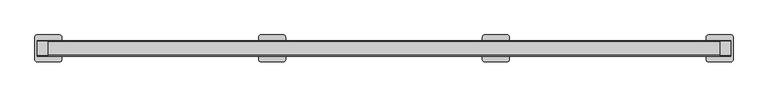
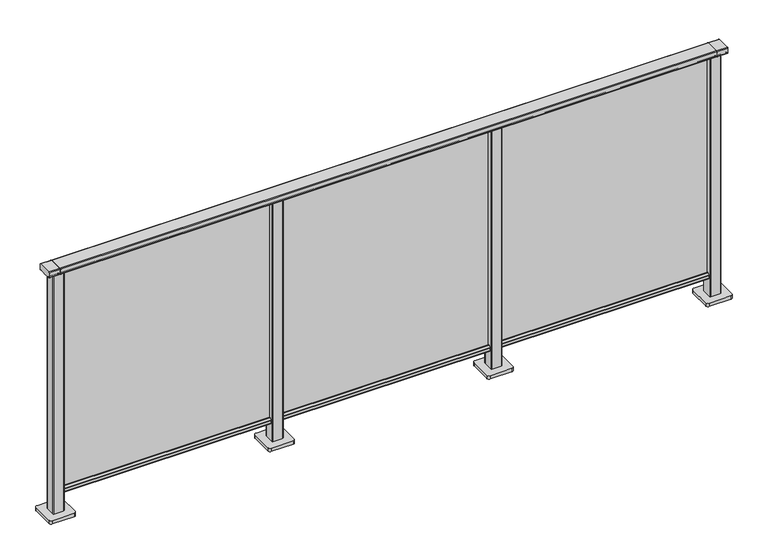
"""IFC4 building model written with IfcOpenShell, lengths in millimetres: railing geometry."""

from ifc_helpers import new_model, si_unit, point, frame, frame_2d, origin, origin_with_axes, place, context, project, spatial, polyline, circle_curve, trimmed, segment, composite_curve, outline, extrude, source, transform, mapped, element, save


def railing_4ceebaf9(model_context):
    return source(origin(), model_context, "Body", "SweptSolid", [
        extrude(outline(composite_curve([segment(trimmed(circle_curve(frame_2d((9717.8460333, 1197.0)), 3.0), [point((9717.8460333, 1200.0))], [point((9720.8460333, 1197.0))], False, "CARTESIAN"), True, "CONTINUOUS"), segment(polyline([(9720.8460333, 1197.0), (9720.8460333, 1174.8)]), True, "CONTINUOUS"), segment(trimmed(circle_curve(frame_2d((9717.8460333, 1174.8)), 3.0), [point((9720.8460333, 1174.8))], [point((9717.8460333, 1171.8))], False, "CARTESIAN"), True, "CONTINUOUS"), segment(polyline([(9717.8460333, 1171.8), (9712.9961193, 1171.8)]), True, "CONTINUOUS"), segment(trimmed(circle_curve(frame_2d((9712.9961193, 1172.7286632)), 0.9286632), [point((9712.9961193, 1171.8))], [point((9712.0960471, 1172.5000033))], False, "CARTESIAN"), True, "CONTINUOUS"), segment(trimmed(circle_curve(frame_2d((9711.5960471, 1172.5000003)), 0.5), [point((9712.0960471, 1172.5000033))], [point((9711.5960471, 1172.0000003))], False, "CARTESIAN"), True, "CONTINUOUS"), segment(polyline([(9711.5960471, 1172.0000003), (9694.5751393, 1172.0000003)]), True, "CONTINUOUS"), segment(trimmed(circle_curve(frame_2d((9685.8508208, 1188.8785723)), 18.999998), [point((9694.5751393, 1172.0000003))], [point((9677.1265024, 1172.0000003))], False, "CARTESIAN"), True, "CONTINUOUS"), segment(polyline([(9677.1265024, 1172.0000003), (9660.0960436, 1172.0000003)]), True, "CONTINUOUS"), segment(trimmed(circle_curve(frame_2d((9660.0960436, 1172.5000003)), 0.5), [point((9660.0960436, 1172.0000003))], [point((9659.5960436, 1172.5000033))], False, "CARTESIAN"), True, "CONTINUOUS"), segment(trimmed(circle_curve(frame_2d((9658.6961402, 1172.7284461)), 0.9284461), [point((9659.5960436, 1172.5000033))], [point((9658.6961402, 1171.8))], False, "CARTESIAN"), True, "CONTINUOUS"), segment(polyline([(9658.6961402, 1171.8), (9653.8460333, 1171.8)]), True, "CONTINUOUS"), segment(trimmed(circle_curve(frame_2d((9653.8460333, 1174.8)), 3.0), [point((9653.8460333, 1171.8))], [point((9650.8460333, 1174.8))], False, "CARTESIAN"), True, "CONTINUOUS"), segment(polyline([(9650.8460333, 1174.8), (9650.8460333, 1197.0)]), True, "CONTINUOUS"), segment(trimmed(circle_curve(frame_2d((9653.8460333, 1197.0)), 3.0), [point((9650.8460333, 1197.0))], [point((9653.8460333, 1200.0))], False, "CARTESIAN"), True, "CONTINUOUS"), segment(polyline([(9653.8460333, 1200.0), (9717.8460333, 1200.0)]), True, "CONTINUOUS")], self_intersect=False)), frame((-408.6053075, 0.0, 0.0), z_axis=(1.0, 0.0, 0.0), x_axis=(0.0, 1.0, 0.0)), (0.0, 0.0, 1.0), 3000.0),
        extrude(outline(composite_curve([segment(polyline([(9701.5508136, 100.0), (9670.1507946, 100.0)]), True, "CONTINUOUS"), segment(trimmed(circle_curve(frame_2d((9670.1507946, 101.8)), 1.8), [point((9670.1507946, 100.0))], [point((9668.3507946, 101.8))], False, "CARTESIAN"), True, "CONTINUOUS"), segment(polyline([(9668.3507946, 101.8), (9668.3507946, 115.5269955)]), True, "CONTINUOUS"), segment(trimmed(circle_curve(frame_2d((9670.1507946, 115.5269955)), 1.8), [point((9668.3507946, 115.5269955))], [point((9668.7923399, 116.7079277))], False, "CARTESIAN"), True, "CONTINUOUS"), segment(polyline([(9668.7923399, 116.7079277), (9675.4626384, 124.3809322)]), True, "CONTINUOUS"), segment(trimmed(circle_curve(frame_2d((9676.8210931, 123.2)), 1.8), [point((9675.4626384, 124.3809322))], [point((9676.8210931, 125.0))], False, "CARTESIAN"), True, "CONTINUOUS"), segment(polyline([(9676.8210931, 125.0), (9680.5111113, 125.0), (9681.809143, 113.0), (9689.8924411, 113.0), (9691.1904978, 125.0), (9694.88054, 125.0)]), True, "CONTINUOUS"), segment(trimmed(circle_curve(frame_2d((9694.88054, 123.2)), 1.8), [point((9694.88054, 125.0))], [point((9696.2389969, 124.3809297))], False, "CARTESIAN"), True, "CONTINUOUS"), segment(polyline([(9696.2389969, 124.3809297), (9702.9092704, 116.7079252)]), True, "CONTINUOUS"), segment(trimmed(circle_curve(frame_2d((9701.5508136, 115.5269955)), 1.8), [point((9702.9092704, 116.7079252))], [point((9703.3508136, 115.5269955))], False, "CARTESIAN"), True, "CONTINUOUS"), segment(polyline([(9703.3508136, 115.5269955), (9703.3508136, 101.8)]), True, "CONTINUOUS"), segment(trimmed(circle_curve(frame_2d((9701.5508136, 101.8)), 1.8), [point((9703.3508136, 101.8))], [point((9701.5508136, 100.0))], False, "CARTESIAN"), True, "CONTINUOUS")], self_intersect=False)), frame((-408.6053075, 0.0, 0.0), z_axis=(1.0, 0.0, 0.0), x_axis=(0.0, 1.0, 0.0)), (0.0, 0.0, 1.0), 3000.0),
        extrude(outline(polyline([(-408.6053075, 9683.8508041), (-408.6053075, 9687.8508041), (2591.3946925, 9687.8508041), (2591.3946925, 9683.8508041), (-408.6053075, 9683.8508041)])), frame((0.0, 0.0, 100.0), z_axis=(0.0, 0.0, 1.0), x_axis=(1.0, 0.0, 0.0)), (0.0, 0.0, 1.0), 1070.0),
        extrude(outline(composite_curve([segment(trimmed(circle_curve(frame_2d((1568.994681, 9708.2508266)), 3.0), [point((1565.994681, 9708.2508266))], [point((1568.994681, 9711.2508266))], False, "CARTESIAN"), True, "CONTINUOUS"), segment(polyline([(1568.994681, 9711.2508266), (1613.794704, 9711.2508266)]), True, "CONTINUOUS"), segment(trimmed(circle_curve(frame_2d((1613.794704, 9708.2508266)), 3.0), [point((1613.794704, 9711.2508266))], [point((1616.794704, 9708.2508266))], False, "CARTESIAN"), True, "CONTINUOUS"), segment(polyline([(1616.794704, 9708.2508266), (1616.794704, 9663.4508036)]), True, "CONTINUOUS"), segment(trimmed(circle_curve(frame_2d((1613.794704, 9663.4508036)), 3.0), [point((1616.794704, 9663.4508036))], [point((1613.794704, 9660.4508036))], False, "CARTESIAN"), True, "CONTINUOUS"), segment(polyline([(1613.794704, 9660.4508036), (1568.994681, 9660.4508036)]), True, "CONTINUOUS"), segment(trimmed(circle_curve(frame_2d((1568.994681, 9663.4508036)), 3.0), [point((1568.994681, 9660.4508036))], [point((1565.994681, 9663.4508036))], False, "CARTESIAN"), True, "CONTINUOUS"), segment(polyline([(1565.994681, 9663.4508036), (1565.994681, 9708.2508266)]), True, "CONTINUOUS")], self_intersect=False)), frame((0.0, 0.0, 16.0), z_axis=(0.0, 0.0, 1.0), x_axis=(1.0, 0.0, 0.0)), (0.0, 0.0, 1.0), 1153.8785743),
        extrude(outline(composite_curve([segment(trimmed(circle_curve(frame_2d((1541.394681, 9735.8508151)), 10.0), [point((1531.394681, 9735.8508151))], [point((1541.394681, 9745.8508151))], False, "CARTESIAN"), True, "CONTINUOUS"), segment(polyline([(1541.394681, 9745.8508151), (1641.394681, 9745.8508151)]), True, "CONTINUOUS"), segment(trimmed(circle_curve(frame_2d((1641.394681, 9735.8508151)), 10.0), [point((1641.394681, 9745.8508151))], [point((1651.394681, 9735.8508151))], False, "CARTESIAN"), True, "CONTINUOUS"), segment(polyline([(1651.394681, 9735.8508151), (1651.394681, 9635.8508151)]), True, "CONTINUOUS"), segment(trimmed(circle_curve(frame_2d((1641.394681, 9635.8508151)), 10.0), [point((1651.394681, 9635.8508151))], [point((1641.394681, 9625.8508151))], False, "CARTESIAN"), True, "CONTINUOUS"), segment(polyline([(1641.394681, 9625.8508151), (1541.394681, 9625.8508151)]), True, "CONTINUOUS"), segment(trimmed(circle_curve(frame_2d((1541.394681, 9635.8508151)), 10.0), [point((1541.394681, 9625.8508151))], [point((1531.394681, 9635.8508151))], False, "CARTESIAN"), True, "CONTINUOUS"), segment(polyline([(1531.394681, 9635.8508151), (1531.394681, 9735.8508151)]), True, "CONTINUOUS")], self_intersect=False)), origin_with_axes(), (0.0, 0.0, 1.0), 16.0),
        extrude(outline(composite_curve([segment(trimmed(circle_curve(frame_2d((568.994681, 9708.2508266)), 3.0), [point((565.994681, 9708.2508266))], [point((568.994681, 9711.2508266))], False, "CARTESIAN"), True, "CONTINUOUS"), segment(polyline([(568.994681, 9711.2508266), (613.794704, 9711.2508266)]), True, "CONTINUOUS"), segment(trimmed(circle_curve(frame_2d((613.794704, 9708.2508266)), 3.0), [point((613.794704, 9711.2508266))], [point((616.794704, 9708.2508266))], False, "CARTESIAN"), True, "CONTINUOUS"), segment(polyline([(616.794704, 9708.2508266), (616.794704, 9663.4508036)]), True, "CONTINUOUS"), segment(trimmed(circle_curve(frame_2d((613.794704, 9663.4508036)), 3.0), [point((616.794704, 9663.4508036))], [point((613.794704, 9660.4508036))], False, "CARTESIAN"), True, "CONTINUOUS"), segment(polyline([(613.794704, 9660.4508036), (568.994681, 9660.4508036)]), True, "CONTINUOUS"), segment(trimmed(circle_curve(frame_2d((568.994681, 9663.4508036)), 3.0), [point((568.994681, 9660.4508036))], [point((565.994681, 9663.4508036))], False, "CARTESIAN"), True, "CONTINUOUS"), segment(polyline([(565.994681, 9663.4508036), (565.994681, 9708.2508266)]), True, "CONTINUOUS")], self_intersect=False)), frame((0.0, 0.0, 16.0), z_axis=(0.0, 0.0, 1.0), x_axis=(1.0, 0.0, 0.0)), (0.0, 0.0, 1.0), 1153.8785743),
        extrude(outline(composite_curve([segment(trimmed(circle_curve(frame_2d((541.394681, 9735.8508151)), 10.0), [point((531.394681, 9735.8508151))], [point((541.394681, 9745.8508151))], False, "CARTESIAN"), True, "CONTINUOUS"), segment(polyline([(541.394681, 9745.8508151), (641.394681, 9745.8508151)]), True, "CONTINUOUS"), segment(trimmed(circle_curve(frame_2d((641.394681, 9735.8508151)), 10.0), [point((641.394681, 9745.8508151))], [point((651.394681, 9735.8508151))], False, "CARTESIAN"), True, "CONTINUOUS"), segment(polyline([(651.394681, 9735.8508151), (651.394681, 9635.8508151)]), True, "CONTINUOUS"), segment(trimmed(circle_curve(frame_2d((641.394681, 9635.8508151)), 10.0), [point((651.394681, 9635.8508151))], [point((641.394681, 9625.8508151))], False, "CARTESIAN"), True, "CONTINUOUS"), segment(polyline([(641.394681, 9625.8508151), (541.394681, 9625.8508151)]), True, "CONTINUOUS"), segment(trimmed(circle_curve(frame_2d((541.394681, 9635.8508151)), 10.0), [point((541.394681, 9625.8508151))], [point((531.394681, 9635.8508151))], False, "CARTESIAN"), True, "CONTINUOUS"), segment(polyline([(531.394681, 9635.8508151), (531.394681, 9735.8508151)]), True, "CONTINUOUS")], self_intersect=False)), origin_with_axes(), (0.0, 0.0, 1.0), 16.0),
        extrude(outline(composite_curve([segment(trimmed(circle_curve(frame_2d((2568.994681, 9708.2508266)), 3.0), [point((2565.994681, 9708.2508266))], [point((2568.994681, 9711.2508266))], False, "CARTESIAN"), True, "CONTINUOUS"), segment(polyline([(2568.994681, 9711.2508266), (2613.794704, 9711.2508266)]), True, "CONTINUOUS"), segment(trimmed(circle_curve(frame_2d((2613.794704, 9708.2508266)), 3.0), [point((2613.794704, 9711.2508266))], [point((2616.794704, 9708.2508266))], False, "CARTESIAN"), True, "CONTINUOUS"), segment(polyline([(2616.794704, 9708.2508266), (2616.794704, 9663.4508036)]), True, "CONTINUOUS"), segment(trimmed(circle_curve(frame_2d((2613.794704, 9663.4508036)), 3.0), [point((2616.794704, 9663.4508036))], [point((2613.794704, 9660.4508036))], False, "CARTESIAN"), True, "CONTINUOUS"), segment(polyline([(2613.794704, 9660.4508036), (2568.994681, 9660.4508036)]), True, "CONTINUOUS"), segment(trimmed(circle_curve(frame_2d((2568.994681, 9663.4508036)), 3.0), [point((2568.994681, 9660.4508036))], [point((2565.994681, 9663.4508036))], False, "CARTESIAN"), True, "CONTINUOUS"), segment(polyline([(2565.994681, 9663.4508036), (2565.994681, 9708.2508266)]), True, "CONTINUOUS")], self_intersect=False)), frame((0.0, 0.0, 16.0), z_axis=(0.0, 0.0, 1.0), x_axis=(1.0, 0.0, 0.0)), (0.0, 0.0, 1.0), 1153.8785743),
        extrude(outline(composite_curve([segment(trimmed(circle_curve(frame_2d((2541.394681, 9735.8508151)), 10.0), [point((2531.394681, 9735.8508151))], [point((2541.394681, 9745.8508151))], False, "CARTESIAN"), True, "CONTINUOUS"), segment(polyline([(2541.394681, 9745.8508151), (2641.394681, 9745.8508151)]), True, "CONTINUOUS"), segment(trimmed(circle_curve(frame_2d((2641.394681, 9735.8508151)), 10.0), [point((2641.394681, 9745.8508151))], [point((2651.394681, 9735.8508151))], False, "CARTESIAN"), True, "CONTINUOUS"), segment(polyline([(2651.394681, 9735.8508151), (2651.394681, 9635.8508151)]), True, "CONTINUOUS"), segment(trimmed(circle_curve(frame_2d((2641.394681, 9635.8508151)), 10.0), [point((2651.394681, 9635.8508151))], [point((2641.394681, 9625.8508151))], False, "CARTESIAN"), True, "CONTINUOUS"), segment(polyline([(2641.394681, 9625.8508151), (2541.394681, 9625.8508151)]), True, "CONTINUOUS"), segment(trimmed(circle_curve(frame_2d((2541.394681, 9635.8508151)), 10.0), [point((2541.394681, 9625.8508151))], [point((2531.394681, 9635.8508151))], False, "CARTESIAN"), True, "CONTINUOUS"), segment(polyline([(2531.394681, 9635.8508151), (2531.394681, 9735.8508151)]), True, "CONTINUOUS")], self_intersect=False)), origin_with_axes(), (0.0, 0.0, 1.0), 16.0),
        extrude(outline(composite_curve([segment(trimmed(circle_curve(frame_2d((9717.8460333, 1197.0)), 3.0), [point((9717.8460333, 1200.0))], [point((9720.8460333, 1197.0))], False, "CARTESIAN"), True, "CONTINUOUS"), segment(polyline([(9720.8460333, 1197.0), (9720.8460333, 1174.8)]), True, "CONTINUOUS"), segment(trimmed(circle_curve(frame_2d((9717.8460333, 1174.8)), 3.0), [point((9720.8460333, 1174.8))], [point((9717.8460333, 1171.8))], False, "CARTESIAN"), True, "CONTINUOUS"), segment(polyline([(9717.8460333, 1171.8), (9712.9961193, 1171.8)]), True, "CONTINUOUS"), segment(trimmed(circle_curve(frame_2d((9712.9961193, 1172.7286632)), 0.9286632), [point((9712.9961193, 1171.8))], [point((9712.0960471, 1172.5000033))], False, "CARTESIAN"), True, "CONTINUOUS"), segment(trimmed(circle_curve(frame_2d((9711.5960471, 1172.5000003)), 0.5), [point((9712.0960471, 1172.5000033))], [point((9711.5960471, 1172.0000003))], False, "CARTESIAN"), True, "CONTINUOUS"), segment(polyline([(9711.5960471, 1172.0000003), (9694.5751393, 1172.0000003)]), True, "CONTINUOUS"), segment(trimmed(circle_curve(frame_2d((9685.8508208, 1188.8785723)), 18.999998), [point((9694.5751393, 1172.0000003))], [point((9677.1265024, 1172.0000003))], False, "CARTESIAN"), True, "CONTINUOUS"), segment(polyline([(9677.1265024, 1172.0000003), (9660.0960436, 1172.0000003)]), True, "CONTINUOUS"), segment(trimmed(circle_curve(frame_2d((9660.0960436, 1172.5000003)), 0.5), [point((9660.0960436, 1172.0000003))], [point((9659.5960436, 1172.5000033))], False, "CARTESIAN"), True, "CONTINUOUS"), segment(trimmed(circle_curve(frame_2d((9658.6961402, 1172.7284461)), 0.9284461), [point((9659.5960436, 1172.5000033))], [point((9658.6961402, 1171.8))], False, "CARTESIAN"), True, "CONTINUOUS"), segment(polyline([(9658.6961402, 1171.8), (9653.8460333, 1171.8)]), True, "CONTINUOUS"), segment(trimmed(circle_curve(frame_2d((9653.8460333, 1174.8)), 3.0), [point((9653.8460333, 1171.8))], [point((9650.8460333, 1174.8))], False, "CARTESIAN"), True, "CONTINUOUS"), segment(polyline([(9650.8460333, 1174.8), (9650.8460333, 1197.0)]), True, "CONTINUOUS"), segment(trimmed(circle_curve(frame_2d((9653.8460333, 1197.0)), 3.0), [point((9650.8460333, 1197.0))], [point((9653.8460333, 1200.0))], False, "CARTESIAN"), True, "CONTINUOUS"), segment(polyline([(9653.8460333, 1200.0), (9717.8460333, 1200.0)]), True, "CONTINUOUS")], self_intersect=False)), frame((2591.3946925, 0.0, 0.0), z_axis=(1.0, 0.0, 0.0), x_axis=(0.0, 1.0, 0.0)), (0.0, 0.0, 1.0), 50.0),
        extrude(outline(composite_curve([segment(trimmed(circle_curve(frame_2d((-431.005319, 9708.2508266)), 3.0), [point((-434.005319, 9708.2508266))], [point((-431.005319, 9711.2508266))], False, "CARTESIAN"), True, "CONTINUOUS"), segment(polyline([(-431.005319, 9711.2508266), (-386.205296, 9711.2508266)]), True, "CONTINUOUS"), segment(trimmed(circle_curve(frame_2d((-386.205296, 9708.2508266)), 3.0), [point((-386.205296, 9711.2508266))], [point((-383.205296, 9708.2508266))], False, "CARTESIAN"), True, "CONTINUOUS"), segment(polyline([(-383.205296, 9708.2508266), (-383.205296, 9663.4508036)]), True, "CONTINUOUS"), segment(trimmed(circle_curve(frame_2d((-386.205296, 9663.4508036)), 3.0), [point((-383.205296, 9663.4508036))], [point((-386.205296, 9660.4508036))], False, "CARTESIAN"), True, "CONTINUOUS"), segment(polyline([(-386.205296, 9660.4508036), (-431.005319, 9660.4508036)]), True, "CONTINUOUS"), segment(trimmed(circle_curve(frame_2d((-431.005319, 9663.4508036)), 3.0), [point((-431.005319, 9660.4508036))], [point((-434.005319, 9663.4508036))], False, "CARTESIAN"), True, "CONTINUOUS"), segment(polyline([(-434.005319, 9663.4508036), (-434.005319, 9708.2508266)]), True, "CONTINUOUS")], self_intersect=False)), frame((0.0, 0.0, 16.0), z_axis=(0.0, 0.0, 1.0), x_axis=(1.0, 0.0, 0.0)), (0.0, 0.0, 1.0), 1153.8785743),
        extrude(outline(composite_curve([segment(trimmed(circle_curve(frame_2d((-458.605319, 9735.8508151)), 10.0), [point((-468.605319, 9735.8508151))], [point((-458.605319, 9745.8508151))], False, "CARTESIAN"), True, "CONTINUOUS"), segment(polyline([(-458.605319, 9745.8508151), (-358.605319, 9745.8508151)]), True, "CONTINUOUS"), segment(trimmed(circle_curve(frame_2d((-358.605319, 9735.8508151)), 10.0), [point((-358.605319, 9745.8508151))], [point((-348.605319, 9735.8508151))], False, "CARTESIAN"), True, "CONTINUOUS"), segment(polyline([(-348.605319, 9735.8508151), (-348.605319, 9635.8508151)]), True, "CONTINUOUS"), segment(trimmed(circle_curve(frame_2d((-358.605319, 9635.8508151)), 10.0), [point((-348.605319, 9635.8508151))], [point((-358.605319, 9625.8508151))], False, "CARTESIAN"), True, "CONTINUOUS"), segment(polyline([(-358.605319, 9625.8508151), (-458.605319, 9625.8508151)]), True, "CONTINUOUS"), segment(trimmed(circle_curve(frame_2d((-458.605319, 9635.8508151)), 10.0), [point((-458.605319, 9625.8508151))], [point((-468.605319, 9635.8508151))], False, "CARTESIAN"), True, "CONTINUOUS"), segment(polyline([(-468.605319, 9635.8508151), (-468.605319, 9735.8508151)]), True, "CONTINUOUS")], self_intersect=False)), origin_with_axes(), (0.0, 0.0, 1.0), 16.0),
        extrude(outline(composite_curve([segment(trimmed(circle_curve(frame_2d((9717.8460333, 1197.0)), 3.0), [point((9717.8460333, 1200.0))], [point((9720.8460333, 1197.0))], False, "CARTESIAN"), True, "CONTINUOUS"), segment(polyline([(9720.8460333, 1197.0), (9720.8460333, 1174.8)]), True, "CONTINUOUS"), segment(trimmed(circle_curve(frame_2d((9717.8460333, 1174.8)), 3.0), [point((9720.8460333, 1174.8))], [point((9717.8460333, 1171.8))], False, "CARTESIAN"), True, "CONTINUOUS"), segment(polyline([(9717.8460333, 1171.8), (9712.9961193, 1171.8)]), True, "CONTINUOUS"), segment(trimmed(circle_curve(frame_2d((9712.9961193, 1172.7286632)), 0.9286632), [point((9712.9961193, 1171.8))], [point((9712.0960471, 1172.5000033))], False, "CARTESIAN"), True, "CONTINUOUS"), segment(trimmed(circle_curve(frame_2d((9711.5960471, 1172.5000003)), 0.5), [point((9712.0960471, 1172.5000033))], [point((9711.5960471, 1172.0000003))], False, "CARTESIAN"), True, "CONTINUOUS"), segment(polyline([(9711.5960471, 1172.0000003), (9694.5751393, 1172.0000003)]), True, "CONTINUOUS"), segment(trimmed(circle_curve(frame_2d((9685.8508208, 1188.8785723)), 18.999998), [point((9694.5751393, 1172.0000003))], [point((9677.1265024, 1172.0000003))], False, "CARTESIAN"), True, "CONTINUOUS"), segment(polyline([(9677.1265024, 1172.0000003), (9660.0960436, 1172.0000003)]), True, "CONTINUOUS"), segment(trimmed(circle_curve(frame_2d((9660.0960436, 1172.5000003)), 0.5), [point((9660.0960436, 1172.0000003))], [point((9659.5960436, 1172.5000033))], False, "CARTESIAN"), True, "CONTINUOUS"), segment(trimmed(circle_curve(frame_2d((9658.6961402, 1172.7284461)), 0.9284461), [point((9659.5960436, 1172.5000033))], [point((9658.6961402, 1171.8))], False, "CARTESIAN"), True, "CONTINUOUS"), segment(polyline([(9658.6961402, 1171.8), (9653.8460333, 1171.8)]), True, "CONTINUOUS"), segment(trimmed(circle_curve(frame_2d((9653.8460333, 1174.8)), 3.0), [point((9653.8460333, 1171.8))], [point((9650.8460333, 1174.8))], False, "CARTESIAN"), True, "CONTINUOUS"), segment(polyline([(9650.8460333, 1174.8), (9650.8460333, 1197.0)]), True, "CONTINUOUS"), segment(trimmed(circle_curve(frame_2d((9653.8460333, 1197.0)), 3.0), [point((9650.8460333, 1197.0))], [point((9653.8460333, 1200.0))], False, "CARTESIAN"), True, "CONTINUOUS"), segment(polyline([(9653.8460333, 1200.0), (9717.8460333, 1200.0)]), True, "CONTINUOUS")], self_intersect=False)), frame((-458.6053075, 0.0, 0.0), z_axis=(1.0, 0.0, 0.0), x_axis=(0.0, 1.0, 0.0)), (0.0, 0.0, 1.0), 50.0),
    ])


if __name__ == "__main__":
    model = new_model("IFC4")
    model_context = context("Model", 3, world=origin())
    ifc_project = project(units=[si_unit("LENGTHUNIT", "METRE", prefix="MILLI")], contexts=[model_context])
    site = spatial("IfcSite", under=ifc_project)
    building = spatial("IfcBuilding", under=site)
    placement = place(None, origin())
    railing_shape = railing_4ceebaf9(model_context)
    element("IfcRailing", 1, at=placement, inside=building, context=model_context, shape_type="MappedRepresentation", body=[
        mapped(railing_shape, transform((0.0, 0.0, 0.0), x_axis=(1.0, 0.0, 0.0), y_axis=(0.0, 1.0, 0.0), z_axis=(0.0, 0.0, 1.0))),
    ])
    save(model, "model.ifc")
